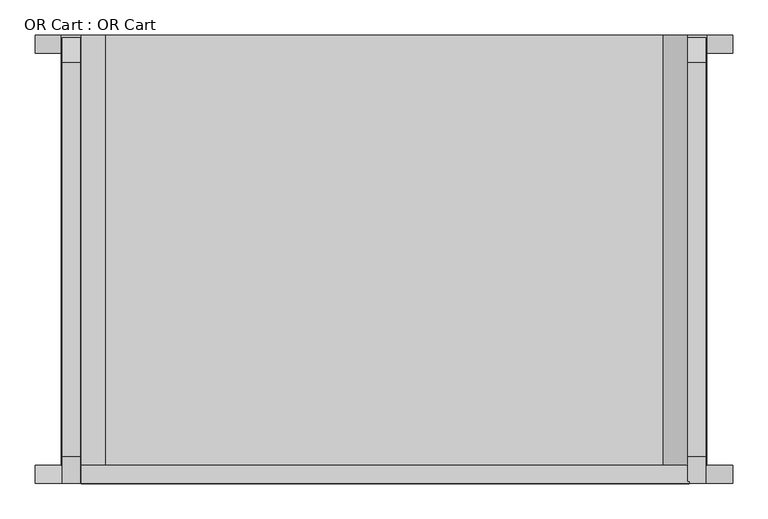
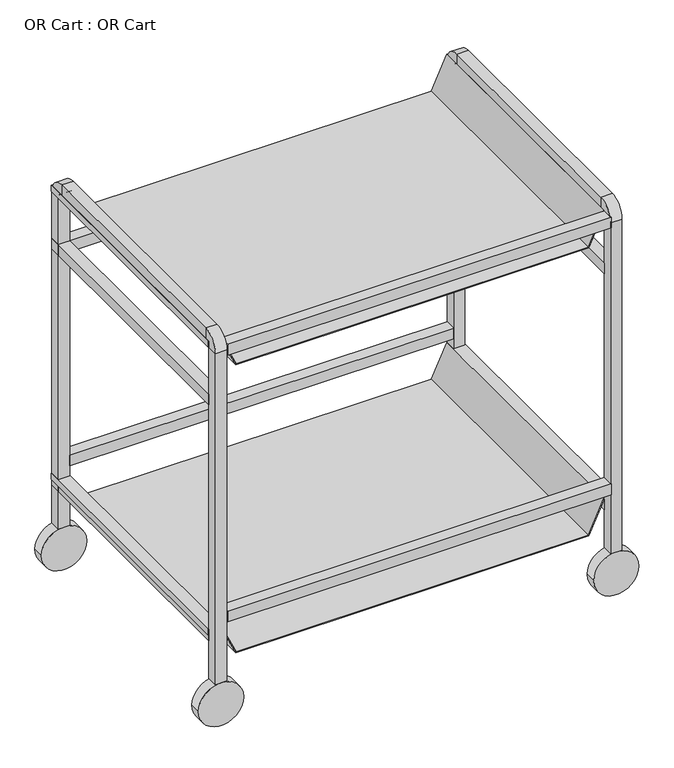
"""IFC4 building model written with IfcOpenShell, lengths in millimetres: furniture geometry, OR Cart : OR Cart."""

from ifc_helpers import new_model, si_unit, point, frame, frame_2d, origin, place, context, project, spatial, polyline, circle_curve, trimmed, segment, composite_curve, outline, extrude, source, transform, mapped, element, save
from ifc_brep_helpers import plane_surface, cylinder_surface, revolved_surface, advanced_brep


def or_cart_or_cart_94eee158(model_context):
    return source(origin(), model_context, "Body", "SolidModel", [
        extrude(outline(polyline([(215.9259266, -12.7), (215.9259266, 12.7), (140.8835759, 47.0930089), (140.8835759, 305.3319911), (140.8835759, 838.7319911), (215.9259266, 873.125), (215.9259266, 898.525), (203.2259266, 898.525), (203.2259266, 900.1125), (217.5134266, 900.1125), (217.5134266, 872.1062868), (142.4710759, 837.7132779), (142.4710759, 48.1117221), (217.5134266, 13.7187132), (217.5134266, -14.2875), (203.2259266, -14.2875), (203.2259266, -12.7), (215.9259266, -12.7)])), frame((0.0, -609.6, 0.0), z_axis=(0.0, 1.0, 0.0), x_axis=(0.0, 0.0, 1.0)), (0.0, 0.0, 1.0), 609.6),
        extrude(outline(polyline([(898.525, -12.7), (898.525, 12.7), (823.4826492, 47.0930089), (823.4826492, 305.3319911), (823.4826492, 838.7319911), (898.525, 873.125), (898.525, 898.525), (885.825, 898.525), (885.825, 900.1125), (900.1125, 900.1125), (900.1125, 872.1062868), (825.0701492, 837.7132779), (825.0701492, 48.1117221), (900.1125, 13.7187132), (900.1125, -14.2875), (885.825, -14.2875), (885.825, -12.7), (898.525, -12.7)])), frame((0.0, -609.6, 0.0), z_axis=(0.0, 1.0, 0.0), x_axis=(0.0, 0.0, 1.0)), (0.0, 0.0, 1.0), 609.6),
        extrude(outline(polyline([(12.7, -25.4), (12.7, 0.0), (873.125, 0.0), (873.125, -25.4), (12.7, -25.4)])), frame((0.0, 0.0, 241.3), z_axis=(0.0, 0.0, 1.0), x_axis=(1.0, 0.0, 0.0)), (0.0, 0.0, 1.0), 25.4),
        extrude(outline(polyline([(14.4115956, -635.3419252), (14.4115956, -609.9419252), (874.8365956, -609.9419252), (874.8365956, -635.3419252), (14.4115956, -635.3419252)])), frame((0.0, 0.0, 241.3), z_axis=(0.0, 0.0, 1.0), x_axis=(1.0, 0.0, 0.0)), (0.0, 0.0, 1.0), 25.4),
        extrude(outline(polyline([(874.8365956, -609.6), (874.8365956, -635.0), (14.4115956, -635.0), (14.4115956, -609.6), (874.8365956, -609.6)])), frame((0.0, 0.0, 873.125), z_axis=(0.0, 0.0, 1.0), x_axis=(1.0, 0.0, 0.0)), (0.0, 0.0, 1.0), 25.4),
        extrude(outline(polyline([(873.125, 0.0), (873.125, -25.4), (12.7, -25.4), (12.7, 0.0), (873.125, 0.0)])), frame((0.0, 0.0, 749.3), z_axis=(0.0, 0.0, 1.0), x_axis=(1.0, 0.0, 0.0)), (0.0, 0.0, 1.0), 25.4),
        extrude(outline(polyline([(-12.7, 0.0), (12.7, 0.0), (12.7, -609.6), (-12.7, -609.6), (-12.7, 0.0)])), frame((0.0, 0.0, 749.3), z_axis=(0.0, 0.0, 1.0), x_axis=(1.0, 0.0, 0.0)), (0.0, 0.0, 1.0), 25.4),
        extrude(outline(polyline([(-12.7, 0.0), (12.7, 0.0), (12.7, -609.6), (-12.7, -609.6), (-12.7, 0.0)])), frame((0.0, 0.0, 190.5259266), z_axis=(0.0, 0.0, 1.0), x_axis=(1.0, 0.0, 0.0)), (0.0, 0.0, 1.0), 25.4),
        extrude(outline(polyline([(873.125, 0.0), (898.525, 0.0), (898.525, -609.6), (873.125, -609.6), (873.125, 0.0)])), frame((0.0, 0.0, 749.3), z_axis=(0.0, 0.0, 1.0), x_axis=(1.0, 0.0, 0.0)), (0.0, 0.0, 1.0), 25.4),
        extrude(outline(polyline([(873.125, 0.0), (898.525, 0.0), (898.525, -609.6), (873.125, -609.6), (873.125, 0.0)])), frame((0.0, 0.0, 190.5259266), z_axis=(0.0, 0.0, 1.0), x_axis=(1.0, 0.0, 0.0)), (0.0, 0.0, 1.0), 25.4),
        advanced_brep(
        [(-12.7, 0.0, 100.3263379), (12.7, 0.0, 100.3263379), (12.7, -25.4, 100.3263379), (-12.7, -25.4, 100.3263379), (-12.7, 0.0, 885.825), (12.7, 0.0, 885.825), (12.7, -25.4, 885.825), (-12.7, -25.4, 885.825), (12.7, -38.1, 923.925), (-12.7, -38.1, 923.925), (12.7, -38.1, 898.525), (-12.7, -38.1, 898.525), (-12.7, -596.9, 923.925), (12.7, -596.9, 923.925), (12.7, -596.9, 898.525), (-12.7, -596.9, 898.525), (12.7, -635.0, 885.825), (-12.7, -635.0, 885.825), (12.7, -609.6, 885.825), (-12.7, -609.6, 885.825), (-12.7, -635.0, 101.6), (-12.7, -609.6, 101.6), (12.7, -609.6, 101.6), (12.7, -635.0, 101.6)],
        [
            (0, 1),
            (1, 2),
            (2, 3),
            (3, 0),
            (0, 4),
            (4, 5),
            (5, 1),
            (5, 6),
            (6, 2),
            (6, 7),
            (7, 3),
            (7, 4),
            (8, 5, circle_curve(frame((12.7, -38.1, 885.825), z_axis=(-1.0, 0.0, 0.0), x_axis=(0.0, 1.0, 0.0)), 38.1)),
            (4, 9, circle_curve(frame((-12.7, -38.1, 885.825), z_axis=(1.0, 0.0, 0.0), x_axis=(0.0, 1.0, 0.0)), 38.1)),
            (9, 8),
            (10, 6, circle_curve(frame((12.7, -38.1, 885.825), z_axis=(-1.0, 0.0, 0.0), x_axis=(0.0, 1.0, 0.0)), 12.7)),
            (8, 10),
            (11, 7, circle_curve(frame((-12.7, -38.1, 885.825), z_axis=(-1.0, 0.0, 0.0), x_axis=(0.0, 1.0, 0.0)), 12.7)),
            (10, 11),
            (11, 9),
            (9, 12),
            (12, 13),
            (13, 8),
            (13, 14),
            (14, 10),
            (14, 15),
            (15, 11),
            (15, 12),
            (16, 13, circle_curve(frame((12.7, -596.9, 885.825), z_axis=(-1.0, 0.0, 0.0), x_axis=(0.0, 0.0, 1.0)), 38.1)),
            (12, 17, circle_curve(frame((-12.7, -596.9, 885.825), z_axis=(1.0, 0.0, 0.0), x_axis=(0.0, 0.0, 1.0)), 38.1)),
            (17, 16),
            (18, 14, circle_curve(frame((12.7, -596.9, 885.825), z_axis=(-1.0, 0.0, 0.0), x_axis=(0.0, 0.0, 1.0)), 12.7)),
            (16, 18),
            (19, 15, circle_curve(frame((-12.7, -596.9, 885.825), z_axis=(-1.0, 0.0, 0.0), x_axis=(0.0, 0.0, 1.0)), 12.7)),
            (18, 19),
            (19, 17),
            (20, 21),
            (21, 22),
            (22, 23),
            (23, 20),
            (17, 20),
            (23, 16),
            (22, 18),
            (21, 19),
        ],
        [
            plane_surface(frame((885.825, -911.3147482, 100.3263379), z_axis=(0.0, 0.0, -1.0), x_axis=(1.0, 0.0, 0.0))),
            plane_surface(frame((-12.7, 0.0, 100.3263379), z_axis=(0.0, 1.0, 0.0), x_axis=(0.0, 0.0, 1.0))),
            plane_surface(frame((12.7, 0.0, 100.3263379), z_axis=(1.0, 0.0, 0.0), x_axis=(0.0, 0.0, 1.0))),
            plane_surface(frame((12.7, -25.4, 100.3263379), z_axis=(0.0, -1.0, 0.0), x_axis=(0.0, 0.0, 1.0))),
            plane_surface(frame((-12.7, -25.4, 100.3263379), z_axis=(-1.0, 0.0, 0.0), x_axis=(0.0, 0.0, 1.0))),
            cylinder_surface(frame((885.825, -38.1, 885.825), z_axis=(1.0, 0.0, 0.0), x_axis=(0.0, 1.0, 0.0)), 38.1),
            plane_surface(frame((12.7, -38.1, 885.825), z_axis=(1.0, 0.0, 0.0), x_axis=(0.0, 1.0, 0.0))),
            revolved_surface(polyline([(12.700000000000045, -25.400000000000002, 885.825), (-12.700000000000045, -25.400000000000002, 885.825)]), (885.825, -38.1, 885.825), (1.0, 0.0, 0.0)),
            plane_surface(frame((-12.7, -38.1, 885.825), z_axis=(-1.0, 0.0, 0.0), x_axis=(0.0, 1.0, 0.0))),
            plane_surface(frame((-12.7, -38.1, 923.925), z_axis=(0.0, 0.0, 1.0), x_axis=(0.0, -1.0, 0.0))),
            plane_surface(frame((12.7, -38.1, 923.925), z_axis=(1.0, 0.0, 0.0), x_axis=(0.0, -1.0, 0.0))),
            plane_surface(frame((12.7, -38.1, 898.525), z_axis=(0.0, 0.0, -1.0), x_axis=(0.0, -1.0, 0.0))),
            plane_surface(frame((-12.7, -38.1, 898.525), z_axis=(-1.0, 0.0, 0.0), x_axis=(0.0, -1.0, 0.0))),
            cylinder_surface(frame((885.825, -596.9, 885.825), z_axis=(1.0, 0.0, 0.0), x_axis=(0.0, 0.0, 1.0)), 38.1),
            plane_surface(frame((12.7, -596.9, 885.825), z_axis=(1.0, 0.0, 0.0), x_axis=(0.0, 0.0, 1.0))),
            revolved_surface(polyline([(12.700000000000045, -596.9, 898.5250000000001), (-12.700000000000045, -596.9, 898.5250000000001)]), (885.825, -596.9, 885.825), (1.0, 0.0, 0.0)),
            plane_surface(frame((-12.7, -596.9, 885.825), z_axis=(-1.0, 0.0, 0.0), x_axis=(0.0, 0.0, 1.0))),
            plane_surface(frame((885.825, -1520.9147482, 101.6), z_axis=(0.0, 0.0, -1.0), x_axis=(-1.0, 0.0, 0.0))),
            plane_surface(frame((-12.7, -635.0, 885.825), z_axis=(0.0, -1.0, 0.0), x_axis=(0.0, 0.0, -1.0))),
            plane_surface(frame((12.7, -635.0, 885.825), z_axis=(1.0, 0.0, 0.0), x_axis=(0.0, 0.0, -1.0))),
            plane_surface(frame((12.7, -609.6, 885.825), z_axis=(0.0, 1.0, 0.0), x_axis=(0.0, 0.0, -1.0))),
            plane_surface(frame((-12.7, -609.6, 885.825), z_axis=(-1.0, 0.0, 0.0), x_axis=(0.0, 0.0, -1.0))),
        ],
        [
            (0, [[1, 2, 3, 4]]),
            (1, [[-1, 5, 6, 7]]),
            (2, [[-2, -7, 8, 9]]),
            (3, [[-3, -9, 10, 11]]),
            (4, [[-4, -11, 12, -5]]),
            (5, [[13, -6, 14, 15]]),
            (6, [[16, -8, -13, 17]]),
            (7, [[18, -10, -16, 19]]),
            (8, [[-14, -12, -18, 20]]),
            (9, [[-15, 21, 22, 23]]),
            (10, [[-17, -23, 24, 25]]),
            (11, [[-19, -25, 26, 27]]),
            (12, [[-20, -27, 28, -21]]),
            (13, [[29, -22, 30, 31]]),
            (14, [[32, -24, -29, 33]]),
            (15, [[34, -26, -32, 35]]),
            (16, [[-30, -28, -34, 36]]),
            (17, [[37, 38, 39, 40]]),
            (18, [[-31, 41, -40, 42]]),
            (19, [[-33, -42, -39, 43]]),
            (20, [[-35, -43, -38, 44]]),
            (21, [[-36, -44, -37, -41]]),
        ],
    ),
        advanced_brep(
        [(898.525, 0.0, 100.3263379), (898.525, -25.4, 100.3263379), (873.125, -25.4, 100.3263379), (873.125, 0.0, 100.3263379), (898.525, 0.0, 885.825), (898.525, -25.4, 885.825), (873.125, -25.4, 885.825), (873.125, 0.0, 885.825), (898.525, -38.1, 898.525), (898.525, -38.1, 923.925), (873.125, -38.1, 898.525), (873.125, -38.1, 923.925), (898.525, -596.9, 923.925), (898.525, -596.9, 898.525), (873.125, -596.9, 898.525), (873.125, -596.9, 923.925), (898.525, -609.6, 885.825), (898.525, -635.0, 885.825), (873.125, -609.6, 885.825), (873.125, -635.0, 885.825), (898.525, -635.0, 101.6), (873.125, -635.0, 101.6), (873.125, -609.6, 101.6), (898.525, -609.6, 101.6)],
        [
            (0, 1),
            (1, 2),
            (2, 3),
            (3, 0),
            (0, 4),
            (4, 5),
            (5, 1),
            (5, 6),
            (6, 2),
            (6, 7),
            (7, 3),
            (7, 4),
            (8, 5, circle_curve(frame((898.525, -38.1, 885.825), z_axis=(-1.0, 0.0, 0.0), x_axis=(0.0, 1.0, 0.0)), 12.7)),
            (4, 9, circle_curve(frame((898.525, -38.1, 885.825), z_axis=(1.0, 0.0, 0.0), x_axis=(0.0, 1.0, 0.0)), 38.1)),
            (9, 8),
            (10, 6, circle_curve(frame((873.125, -38.1, 885.825), z_axis=(-1.0, 0.0, 0.0), x_axis=(0.0, 1.0, 0.0)), 12.7)),
            (8, 10),
            (11, 7, circle_curve(frame((873.125, -38.1, 885.825), z_axis=(-1.0, 0.0, 0.0), x_axis=(0.0, 1.0, 0.0)), 38.1)),
            (10, 11),
            (11, 9),
            (9, 12),
            (12, 13),
            (13, 8),
            (13, 14),
            (14, 10),
            (14, 15),
            (15, 11),
            (15, 12),
            (16, 13, circle_curve(frame((898.525, -596.9, 885.825), z_axis=(-1.0, 0.0, 0.0), x_axis=(0.0, 0.0, 1.0)), 12.7)),
            (12, 17, circle_curve(frame((898.525, -596.9, 885.825), z_axis=(1.0, 0.0, 0.0), x_axis=(0.0, 0.0, 1.0)), 38.1)),
            (17, 16),
            (18, 14, circle_curve(frame((873.125, -596.9, 885.825), z_axis=(-1.0, 0.0, 0.0), x_axis=(0.0, 0.0, 1.0)), 12.7)),
            (16, 18),
            (19, 15, circle_curve(frame((873.125, -596.9, 885.825), z_axis=(-1.0, 0.0, 0.0), x_axis=(0.0, 0.0, 1.0)), 38.1)),
            (18, 19),
            (19, 17),
            (20, 21),
            (21, 22),
            (22, 23),
            (23, 20),
            (17, 20),
            (23, 16),
            (22, 18),
            (21, 19),
        ],
        [
            plane_surface(frame((885.825, -30.6605122, 100.3263379), z_axis=(0.0, 0.0, -1.0), x_axis=(1.0, 0.0, 0.0))),
            plane_surface(frame((898.525, 0.0, 100.3263379), z_axis=(1.0, 0.0, 0.0), x_axis=(0.0, 0.0, 1.0))),
            plane_surface(frame((898.525, -25.4, 100.3263379), z_axis=(0.0, -1.0, 0.0), x_axis=(0.0, 0.0, 1.0))),
            plane_surface(frame((873.125, -25.4, 100.3263379), z_axis=(-1.0, 0.0, 0.0), x_axis=(0.0, 0.0, 1.0))),
            plane_surface(frame((873.125, 0.0, 100.3263379), z_axis=(0.0, 1.0, 0.0), x_axis=(0.0, 0.0, 1.0))),
            plane_surface(frame((898.525, -38.1, 885.825), z_axis=(1.0, 0.0, 0.0), x_axis=(0.0, 1.0, 0.0))),
            revolved_surface(polyline([(898.525, -25.400000000000002, 885.825), (873.125, -25.400000000000002, 885.825)]), (885.825, -38.1, 885.825), (1.0, 0.0, 0.0)),
            plane_surface(frame((873.125, -38.1, 885.825), z_axis=(-1.0, 0.0, 0.0), x_axis=(0.0, 1.0, 0.0))),
            cylinder_surface(frame((885.825, -38.1, 885.825), z_axis=(1.0, 0.0, 0.0), x_axis=(0.0, 1.0, 0.0)), 38.1),
            plane_surface(frame((898.525, -38.1, 923.925), z_axis=(1.0, 0.0, 0.0), x_axis=(0.0, -1.0, 0.0))),
            plane_surface(frame((898.525, -38.1, 898.525), z_axis=(0.0, 0.0, -1.0), x_axis=(0.0, -1.0, 0.0))),
            plane_surface(frame((873.125, -38.1, 898.525), z_axis=(-1.0, 0.0, 0.0), x_axis=(0.0, -1.0, 0.0))),
            plane_surface(frame((873.125, -38.1, 923.925), z_axis=(0.0, 0.0, 1.0), x_axis=(0.0, -1.0, 0.0))),
            plane_surface(frame((898.525, -596.9, 885.825), z_axis=(1.0, 0.0, 0.0), x_axis=(0.0, 0.0, 1.0))),
            revolved_surface(polyline([(898.525, -596.9, 898.5250000000001), (873.125, -596.9, 898.5250000000001)]), (885.825, -596.9, 885.825), (1.0, 0.0, 0.0)),
            plane_surface(frame((873.125, -596.9, 885.825), z_axis=(-1.0, 0.0, 0.0), x_axis=(0.0, 0.0, 1.0))),
            cylinder_surface(frame((885.825, -596.9, 885.825), z_axis=(1.0, 0.0, 0.0), x_axis=(0.0, 0.0, 1.0)), 38.1),
            plane_surface(frame((885.825, -640.2605122, 101.6), z_axis=(0.0, 0.0, -1.0), x_axis=(-1.0, 0.0, 0.0))),
            plane_surface(frame((898.525, -635.0, 885.825), z_axis=(1.0, 0.0, 0.0), x_axis=(0.0, 0.0, -1.0))),
            plane_surface(frame((898.525, -609.6, 885.825), z_axis=(0.0, 1.0, 0.0), x_axis=(0.0, 0.0, -1.0))),
            plane_surface(frame((873.125, -609.6, 885.825), z_axis=(-1.0, 0.0, 0.0), x_axis=(0.0, 0.0, -1.0))),
            plane_surface(frame((873.125, -635.0, 885.825), z_axis=(0.0, -1.0, 0.0), x_axis=(0.0, 0.0, -1.0))),
        ],
        [
            (0, [[1, 2, 3, 4]]),
            (1, [[-1, 5, 6, 7]]),
            (2, [[-2, -7, 8, 9]]),
            (3, [[-3, -9, 10, 11]]),
            (4, [[-4, -11, 12, -5]]),
            (5, [[13, -6, 14, 15]]),
            (6, [[16, -8, -13, 17]]),
            (7, [[18, -10, -16, 19]]),
            (8, [[-14, -12, -18, 20]]),
            (9, [[-15, 21, 22, 23]]),
            (10, [[-17, -23, 24, 25]]),
            (11, [[-19, -25, 26, 27]]),
            (12, [[-20, -27, 28, -21]]),
            (13, [[29, -22, 30, 31]]),
            (14, [[32, -24, -29, 33]]),
            (15, [[34, -26, -32, 35]]),
            (16, [[-30, -28, -34, 36]]),
            (17, [[37, 38, 39, 40]]),
            (18, [[-31, 41, -40, 42]]),
            (19, [[-33, -42, -39, 43]]),
            (20, [[-35, -43, -38, 44]]),
            (21, [[-36, -44, -37, -41]]),
        ],
    ),
        extrude(outline(composite_curve([segment(trimmed(circle_curve(frame_2d((50.8, 0.0)), 50.8), [point((50.8, -50.8))], [point((50.8, 50.8))], False, "CARTESIAN"), True, "CONTINUOUS"), segment(trimmed(circle_curve(frame_2d((50.8, 0.0)), 50.8), [point((50.8, 50.8))], [point((50.8, -50.8))], False, "CARTESIAN"), True, "CONTINUOUS")], self_intersect=False)), frame((0.0, -635.0, 0.0), z_axis=(0.0, 1.0, 0.0), x_axis=(0.0, 0.0, 1.0)), (0.0, 0.0, 1.0), 25.4),
        extrude(outline(composite_curve([segment(trimmed(circle_curve(frame_2d((50.8, 885.825)), 50.8), [point((50.8, 835.025))], [point((50.8, 936.625))], False, "CARTESIAN"), True, "CONTINUOUS"), segment(trimmed(circle_curve(frame_2d((50.8, 885.825)), 50.8), [point((50.8, 936.625))], [point((50.8, 835.025))], False, "CARTESIAN"), True, "CONTINUOUS")], self_intersect=False)), frame((0.0, -635.0, 0.0), z_axis=(0.0, 1.0, 0.0), x_axis=(0.0, 0.0, 1.0)), (0.0, 0.0, 1.0), 25.4),
        extrude(outline(composite_curve([segment(trimmed(circle_curve(frame_2d((50.8, 885.825)), 50.8), [point((50.8, 835.025))], [point((50.8, 936.625))], False, "CARTESIAN"), True, "CONTINUOUS"), segment(trimmed(circle_curve(frame_2d((50.8, 885.825)), 50.8), [point((50.8, 936.625))], [point((50.8, 835.025))], False, "CARTESIAN"), True, "CONTINUOUS")], self_intersect=False)), frame((0.0, -25.4, 0.0), z_axis=(0.0, 1.0, 0.0), x_axis=(0.0, 0.0, 1.0)), (0.0, 0.0, 1.0), 25.4),
        extrude(outline(composite_curve([segment(trimmed(circle_curve(frame_2d((50.8, 0.0)), 50.8), [point((50.8, -50.8))], [point((50.8, 50.8))], False, "CARTESIAN"), True, "CONTINUOUS"), segment(trimmed(circle_curve(frame_2d((50.8, 0.0)), 50.8), [point((50.8, 50.8))], [point((50.8, -50.8))], False, "CARTESIAN"), True, "CONTINUOUS")], self_intersect=False)), frame((0.0, -25.4, 0.0), z_axis=(0.0, 1.0, 0.0), x_axis=(0.0, 0.0, 1.0)), (0.0, 0.0, 1.0), 25.4),
    ])


if __name__ == "__main__":
    model = new_model("IFC4")
    model_context = context("Model", 3, world=origin())
    ifc_project = project(units=[si_unit("LENGTHUNIT", "METRE", prefix="MILLI")], contexts=[model_context])
    site = spatial("IfcSite", under=ifc_project)
    building = spatial("IfcBuilding", under=site)
    placement = place(None, origin())
    or_cart_or_cart_shape = or_cart_or_cart_94eee158(model_context)
    element("IfcFurniture", 1, ObjectType="OR Cart : OR Cart", at=placement, inside=building, context=model_context, shape_type="MappedRepresentation", body=[
        mapped(or_cart_or_cart_shape, transform((0.0, 0.0, 0.0), x_axis=(1.0, 0.0, 0.0), y_axis=(0.0, 1.0, 0.0), z_axis=(0.0, 0.0, 1.0))),
    ])
    save(model, "model.ifc")
